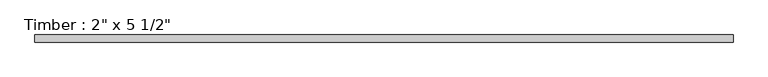
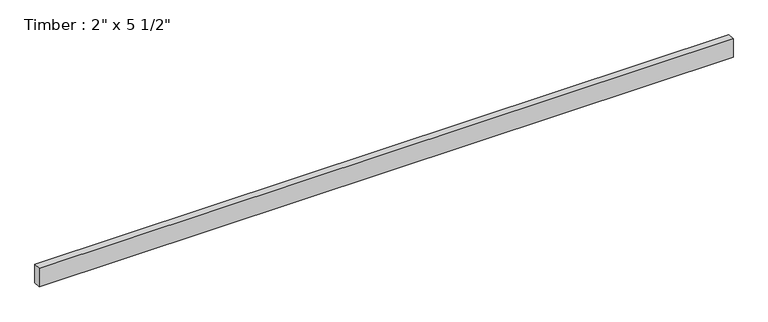
"""IFC4 building model written with IfcOpenShell, lengths in millimetres: beam geometry."""

from ifc_helpers import new_model, si_unit, frame, origin, place, context, project, spatial, polyline, outline, extrude, source, transform, mapped, element, save


def beam_9f4aaa59(model_context):
    return source(origin(), model_context, "Body", "SweptSolid", [
        extrude(outline(polyline([(2482.8606764, 25.4), (2482.8606764, -25.4), (-2482.860677, -25.4), (-2482.860677, 25.4), (2482.8606764, 25.4)])), frame((0.0, 0.0, -69.85), z_axis=(0.0, 0.0, 1.0), x_axis=(1.0, 0.0, 0.0)), (0.0, 0.0, 1.0), 139.7),
    ])


if __name__ == "__main__":
    model = new_model("IFC4")
    model_context = context("Model", 3, world=origin())
    ifc_project = project(units=[si_unit("LENGTHUNIT", "METRE", prefix="MILLI")], contexts=[model_context])
    site = spatial("IfcSite", under=ifc_project)
    building = spatial("IfcBuilding", under=site)
    placement = place(None, origin())
    beam_shape = beam_9f4aaa59(model_context)
    element("IfcBeam", 1, ObjectType="Timber : 2\" x 5 1/2\"", at=placement, inside=building, context=model_context, shape_type="MappedRepresentation", body=[
        mapped(beam_shape, transform((0.0, 0.0, 0.0), x_axis=(1.0, 0.0, 0.0), y_axis=(0.0, 1.0, 0.0), z_axis=(0.0, 0.0, 1.0))),
    ])
    save(model, "model.ifc")
